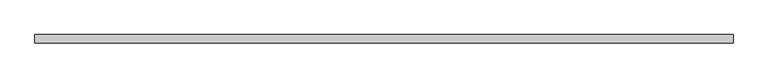
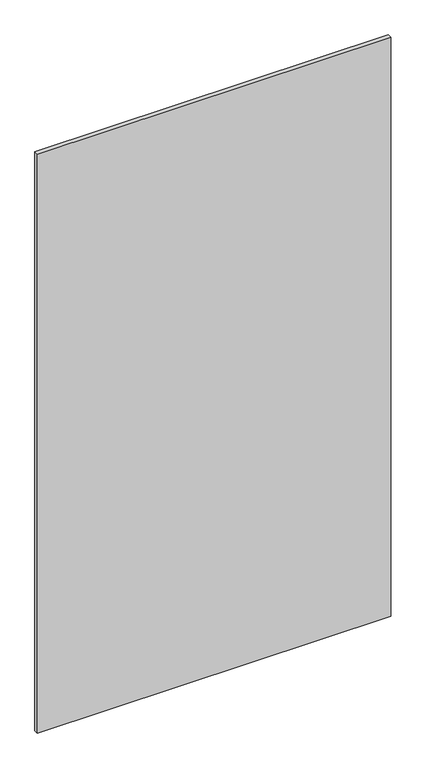
"""IFC4 building model written with IfcOpenShell, lengths in millimetres: plate geometry."""

from ifc_helpers import new_model, si_unit, origin, origin_with_axes, place, context, project, spatial, polyline, outline, extrude, source, transform, mapped, element, save


def plate_f7dcd3b7(model_context):
    return source(origin(), model_context, "Body", "SweptSolid", [
        extrude(outline(polyline([(625.0, 7.25), (625.0, -7.25), (-625.0, -7.25), (-625.0, 7.25), (625.0, 7.25)])), origin_with_axes(), (0.0, 0.0, 1.0), 2165.0),
    ])


if __name__ == "__main__":
    model = new_model("IFC4")
    model_context = context("Model", 3, world=origin())
    ifc_project = project(units=[si_unit("LENGTHUNIT", "METRE", prefix="MILLI")], contexts=[model_context])
    site = spatial("IfcSite", under=ifc_project)
    building = spatial("IfcBuilding", under=site)
    placement = place(None, origin())
    plate_shape = plate_f7dcd3b7(model_context)
    element("IfcPlate", 1, at=placement, inside=building, context=model_context, shape_type="MappedRepresentation", body=[
        mapped(plate_shape, transform((0.0, 0.0, 0.0), x_axis=(1.0, 0.0, 0.0), y_axis=(0.0, 1.0, 0.0), z_axis=(0.0, 0.0, 1.0))),
    ])
    save(model, "model.ifc")
